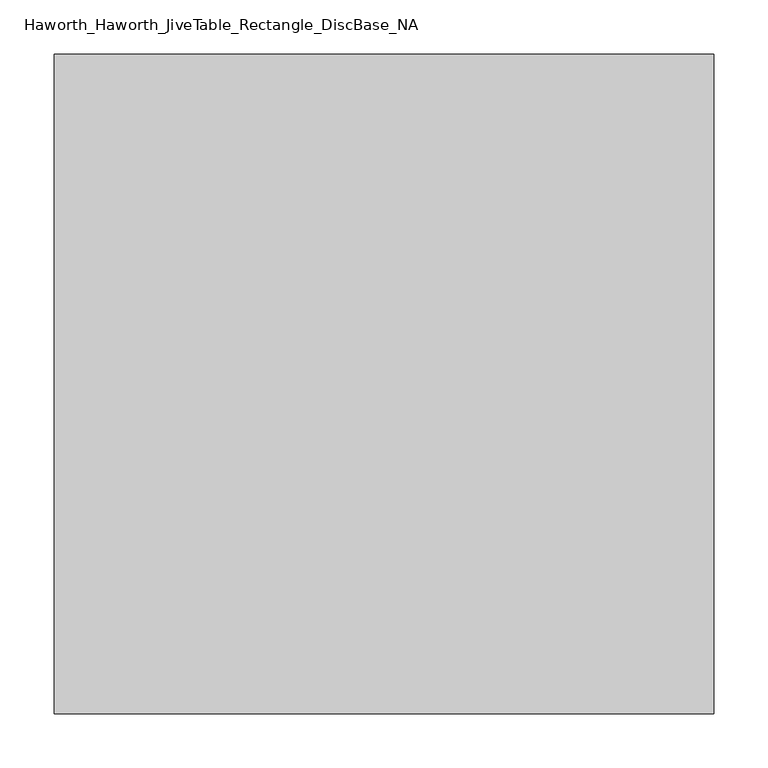
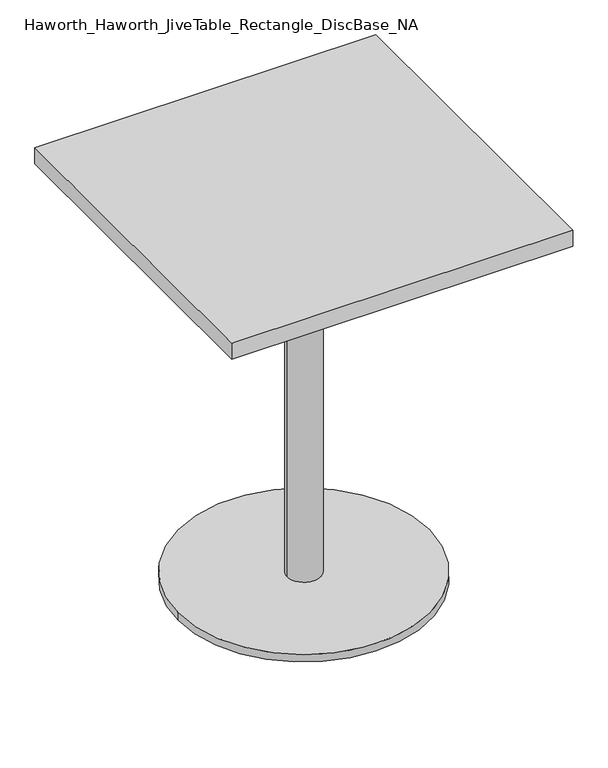
"""IFC4 building model written with IfcOpenShell, lengths in millimetres: furniture geometry, Haworth_Haworth_JiveTable_Rectangle_DiscBase_NA."""

from ifc_helpers import new_model, si_unit, point, frame, origin, origin_with_axes, origin_2d, place, context, project, spatial, polyline, circle_curve, trimmed, segment, composite_curve, outline, extrude, source, transform, mapped, element, save


def haworth_haworth_jivetable_rectangle_discbase_na_169cad5c(model_context):
    return source(origin(), model_context, "Body", "SweptSolid", [
        extrude(outline(composite_curve([segment(trimmed(circle_curve(origin_2d(), 29.9972969), [point((-29.9972969, 0.0))], [point((29.9972969, 0.0))], False, "CARTESIAN"), True, "CONTINUOUS"), segment(trimmed(circle_curve(origin_2d(), 29.9972969), [point((29.9972969, 0.0))], [point((-29.9972969, 0.0))], False, "CARTESIAN"), True, "CONTINUOUS")], self_intersect=False)), frame((0.0, 0.0, 14.3509999), z_axis=(0.0, 0.0, 1.0), x_axis=(1.0, 0.0, 0.0)), (0.0, 0.0, 1.0), 688.6574942),
        extrude(outline(composite_curve([segment(trimmed(circle_curve(origin_2d(), 224.8296875), [point((-224.8296875, 0.0))], [point((224.8296875, 0.0))], False, "CARTESIAN"), True, "CONTINUOUS"), segment(trimmed(circle_curve(origin_2d(), 224.8296875), [point((224.8296875, 0.0))], [point((-224.8296875, 0.0))], False, "CARTESIAN"), True, "CONTINUOUS")], self_intersect=False)), origin_with_axes(), (0.0, 0.0, 1.0), 14.3509999),
        extrude(outline(polyline([(0.0, 215.5237554), (215.5242103, 0.0), (0.0, -215.5237554), (-215.5240587, 0.0), (0.0, 215.5237554)])), frame((0.0, 0.0, 703.0084942), z_axis=(0.0, 0.0, 1.0), x_axis=(1.0, 0.0, 0.0)), (0.0, 0.0, 1.0), 3.4290058),
        extrude(outline(polyline([(304.8, 304.8), (304.8, -304.8), (-304.8, -304.8), (-304.8, 304.8), (304.8, 304.8)])), frame((0.0, 0.0, 706.4375), z_axis=(0.0, 0.0, 1.0), x_axis=(1.0, 0.0, 0.0)), (0.0, 0.0, 1.0), 30.1625),
    ])


if __name__ == "__main__":
    model = new_model("IFC4")
    model_context = context("Model", 3, world=origin())
    ifc_project = project(units=[si_unit("LENGTHUNIT", "METRE", prefix="MILLI")], contexts=[model_context])
    site = spatial("IfcSite", under=ifc_project)
    building = spatial("IfcBuilding", under=site)
    placement = place(None, origin())
    haworth_haworth_jivetable_rectangle_discbase_na_shape = haworth_haworth_jivetable_rectangle_discbase_na_169cad5c(model_context)
    element("IfcFurniture", 1, ObjectType="Haworth_Haworth_JiveTable_Rectangle_DiscBase_NA", at=placement, inside=building, context=model_context, shape_type="MappedRepresentation", body=[
        mapped(haworth_haworth_jivetable_rectangle_discbase_na_shape, transform((0.0, 0.0, 0.0), x_axis=(1.0, 0.0, 0.0), y_axis=(0.0, 1.0, 0.0), z_axis=(0.0, 0.0, 1.0))),
    ])
    save(model, "model.ifc")
